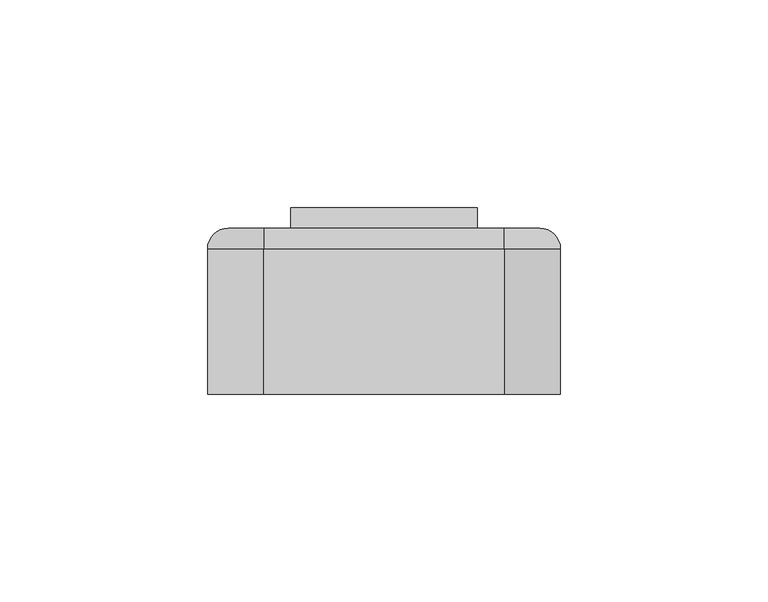
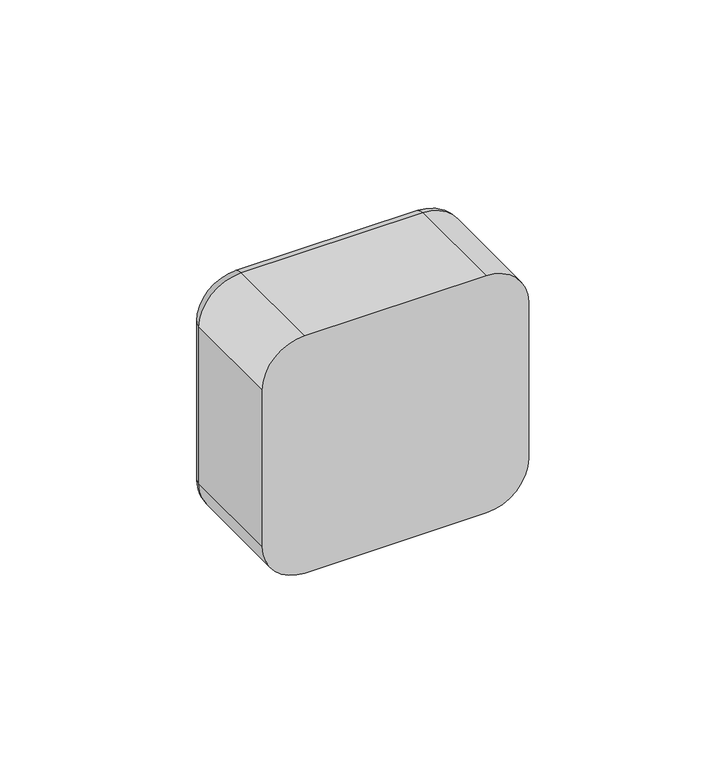
"""IFC4 building model written with IfcOpenShell, lengths in millimetres: switching device geometry."""

import ifcopenshell
import ifcopenshell.guid

model = None  # the IFC model being written
_history = None  # IfcOwnerHistory: only IFC2X3 demands one
_inside = {}  # id of a spatial element -> (the spatial element, [elements in it])
_under = {}  # id of a project, library or spatial element -> (it, [spatial elements below it])
_declared = {}  # id of a project -> (the project, [libraries it declares])
_typed = {}  # id of a type object -> (the type object, [elements of that type])
_made_of = {}  # id of a material, layer set ... -> (it, [elements and type objects made of it])


def new_model(schema):
    """Start an empty IFC model of exactly this schema.

    Asked for "IFC4X3", IfcOpenShell would pick the latest addendum, in which some entities
    have other attributes; the version numbers below select the first issue.
    IFC2X3 requires an IfcOwnerHistory on every rooted entity: one is made here for all.
    """
    global model, _history
    if schema == "IFC4X3":
        model = ifcopenshell.file(schema_version=(4, 3, 0, 0))
    else:
        model = ifcopenshell.file(schema=schema)
    _inside.clear()
    _under.clear()
    _declared.clear()
    _typed.clear()
    _made_of.clear()
    _history = None
    if model.schema == "IFC2X3":
        org = make("IfcOrganization", Name="unknown")
        user = make(
            "IfcPersonAndOrganization",
            ThePerson=make("IfcPerson", FamilyName="unknown"),
            TheOrganization=org,
        )
        app = make(
            "IfcApplication",
            ApplicationDeveloper=org,
            Version="unknown",
            ApplicationFullName="unknown",
            ApplicationIdentifier="unknown",
        )
        _history = make(
            "IfcOwnerHistory",
            OwningUser=user,
            OwningApplication=app,
            ChangeAction="ADDED",
            CreationDate=0,
        )
    return model


def make(cls, **values):
    """One entity of the class cls with the attributes given. An attribute that is None is left unset."""
    return model.create_entity(
        cls, **{name: value for name, value in values.items() if value is not None}
    )


def rooted(cls, **values):
    """An entity with a GlobalId (a new one), such as an element, a storey or a relation."""
    return make(cls, GlobalId=ifcopenshell.guid.new(), OwnerHistory=_history, **values)


def si_unit(unit_type, name, prefix=None):
    """IfcSIUnit, for example si_unit("LENGTHUNIT", "METRE", prefix="MILLI")."""
    return make("IfcSIUnit", UnitType=unit_type, Prefix=prefix, Name=name)


def assignment(units):
    """IfcUnitAssignment: the units of a project."""
    return None if units is None else make("IfcUnitAssignment", Units=units)


def point(xyz):
    """IfcCartesianPoint."""
    return None if xyz is None else make("IfcCartesianPoint", Coordinates=xyz)


def direction(xyz):
    """IfcDirection."""
    return None if xyz is None else make("IfcDirection", DirectionRatios=xyz)


def frame(location, z_axis=None, x_axis=None):
    """IfcAxis2Placement3D, a coordinate frame: its origin and axes. An axis left out is left unset."""
    return make(
        "IfcAxis2Placement3D",
        Location=point(location),
        Axis=direction(z_axis),
        RefDirection=direction(x_axis),
    )


def origin():
    """The frame at (0, 0, 0) with its axes left unset."""
    return frame((0.0, 0.0, 0.0))


def place(relative_to, where):
    """IfcLocalPlacement: puts the frame where relative to a parent placement (None: the world)."""
    return make(
        "IfcLocalPlacement", PlacementRelTo=relative_to, RelativePlacement=where
    )


def context(
    kind, dimensions, precision=None, world=None, true_north=None, identifier=None
):
    """IfcGeometricRepresentationContext, for example the 3D "Model" context."""
    return make(
        "IfcGeometricRepresentationContext",
        ContextIdentifier=identifier,
        ContextType=kind,
        CoordinateSpaceDimension=dimensions,
        Precision=precision,
        WorldCoordinateSystem=world,
        TrueNorth=true_north,
    )


def project(units=None, contexts=None):
    """IfcProject with its units and contexts."""
    return rooted(
        "IfcProject",
        Name="project",
        RepresentationContexts=contexts,
        UnitsInContext=assignment(units),
    )


def spatial(cls, under=None, at=None, **own):
    """A site, building, storey or space (cls), placed at a placement, below another one or the project."""
    s = rooted(cls, ObjectPlacement=at, **own)
    if under is not None:
        _under.setdefault(under.id(), (under, []))[1].append(s)
    return s


def polyline(points):
    """IfcPolyline through the points."""
    return make("IfcPolyline", Points=[point(p) for p in points])


def circle_curve(where, radius):
    """IfcCircle in the frame where."""
    return make("IfcCircle", Position=where, Radius=radius)


def ellipse_curve(where, semi_axis1, semi_axis2):
    """IfcEllipse in the frame where."""
    return make(
        "IfcEllipse", Position=where, SemiAxis1=semi_axis1, SemiAxis2=semi_axis2
    )


def trimmed(basis, trim1, trim2, sense, master):
    """IfcTrimmedCurve: the piece of a basis curve between two trims."""
    return make(
        "IfcTrimmedCurve",
        BasisCurve=basis,
        Trim1=trim1,
        Trim2=trim2,
        SenseAgreement=sense,
        MasterRepresentation=master,
    )


def outline(outer, holes=None, kind="AREA"):
    """IfcArbitraryClosedProfileDef: a profile drawn as a closed curve; with holes, ...WithVoids."""
    if holes is None:
        return make("IfcArbitraryClosedProfileDef", ProfileType=kind, OuterCurve=outer)
    return make(
        "IfcArbitraryProfileDefWithVoids",
        ProfileType=kind,
        OuterCurve=outer,
        InnerCurves=holes,
    )


def extrude(swept, where, along, depth):
    """IfcExtrudedAreaSolid: the profile swept, set in the frame where, extruded along a direction by depth."""
    return make(
        "IfcExtrudedAreaSolid",
        SweptArea=swept,
        Position=where,
        ExtrudedDirection=direction(along),
        Depth=depth,
    )


def shape(context_of_items, identifier, shape_type, items):
    """IfcShapeRepresentation: the items that make up one representation, for example the "Body"."""
    return make(
        "IfcShapeRepresentation",
        ContextOfItems=context_of_items,
        RepresentationIdentifier=identifier,
        RepresentationType=shape_type,
        Items=items,
    )


def source(mapping_origin, context_of_items, identifier, shape_type, items):
    """IfcRepresentationMap: a shape defined once, which mapped items show again and again."""
    return make(
        "IfcRepresentationMap",
        MappingOrigin=mapping_origin,
        MappedRepresentation=shape(context_of_items, identifier, shape_type, items),
    )


def transform(
    local_origin,
    x_axis=None,
    y_axis=None,
    z_axis=None,
    scale=None,
    scale2=None,
    scale3=None,
    uniform=True,
):
    """IfcCartesianTransformationOperator3D, or its non-uniform kind. x_axis, y_axis, z_axis: its Axis1, 2, 3."""
    if uniform:
        return make(
            "IfcCartesianTransformationOperator3D",
            Axis1=direction(x_axis),
            Axis2=direction(y_axis),
            LocalOrigin=point(local_origin),
            Scale=scale,
            Axis3=direction(z_axis),
        )
    return make(
        "IfcCartesianTransformationOperator3DnonUniform",
        Axis1=direction(x_axis),
        Axis2=direction(y_axis),
        LocalOrigin=point(local_origin),
        Scale=scale,
        Axis3=direction(z_axis),
        Scale2=scale2,
        Scale3=scale3,
    )


def mapped(mapping_source, mapping_target):
    """IfcMappedItem: shows the shape of a source again, moved by a transform."""
    return make(
        "IfcMappedItem", MappingSource=mapping_source, MappingTarget=mapping_target
    )


def made_of(thing, what):
    """Note that an element or type object is made of a material, layer set ...; save() writes the relation."""
    if what is not None:
        _made_of.setdefault(what.id(), (what, []))[1].append(thing)
    return thing


def element(
    cls,
    number,
    at=None,
    inside=None,
    cuts=None,
    type_object=None,
    material=None,
    context=None,
    identifier="Body",
    shape_type=None,
    held_by="IfcProductDefinitionShape",
    body=None,
    shapes=None,
    **own,
):
    """One element of the class cls, such as IfcWall. Its Tag is "e" and its number.

    at: its placement. inside: the storey or other place that contains it. cuts: it is an
    opening in that element (IfcRelVoidsElement). A single representation is given by context,
    identifier, shape_type and body (its items); several are given by shapes. held_by: the class
    of the entity that holds the representations. save() writes the other relations.
    """
    e = rooted(cls, Tag="e%d" % number, ObjectPlacement=at, **own)
    if body is not None:
        shapes = [shape(context, identifier, shape_type, body)]
    if shapes is not None:
        e.Representation = make(held_by, Representations=shapes)
    if inside is not None:
        _inside.setdefault(inside.id(), (inside, []))[1].append(e)
    if cuts is not None:
        rooted(
            "IfcRelVoidsElement", RelatingBuildingElement=cuts, RelatedOpeningElement=e
        )
    if type_object is not None:
        _typed.setdefault(type_object.id(), (type_object, []))[1].append(e)
    return made_of(e, material)


def aggregate(whole, parts):
    """IfcRelAggregates: a whole, such as a stair, and the parts it consists of."""
    return rooted("IfcRelAggregates", RelatingObject=whole, RelatedObjects=parts)


def save(model, path):
    """Write the relations noted so far, then the file.

    IfcRelAggregates (storeys below a building ...), IfcRelContainedInSpatialStructure (elements
    in a storey), IfcRelDefinesByType, IfcRelAssociatesMaterial and IfcRelDeclares: one each for
    every whole, place, type object, material and project.
    """
    for whole, parts in _under.values():
        aggregate(whole, parts)
    for where, things in _inside.values():
        rooted(
            "IfcRelContainedInSpatialStructure",
            RelatedElements=things,
            RelatingStructure=where,
        )
    for kind, things in _typed.values():
        rooted("IfcRelDefinesByType", RelatedObjects=things, RelatingType=kind)
    for what, things in _made_of.values():
        rooted("IfcRelAssociatesMaterial", RelatedObjects=things, RelatingMaterial=what)
    for by, libraries in _declared.values():
        rooted("IfcRelDeclares", RelatingContext=by, RelatedDefinitions=libraries)
    model.write(path)


def plane_surface(at):
    """IfcPlane: the flat surface through the origin of the frame at, square to its z axis."""
    return make("IfcPlane", Position=at)


def cylinder_surface(at, radius):
    """IfcCylindricalSurface: all points at the distance radius from the z axis of the frame at."""
    return make("IfcCylindricalSurface", Position=at, Radius=radius)


def revolved_surface(curve, axis_point, axis_direction):
    """IfcSurfaceOfRevolution: the curve turned about the line through axis_point along axis_direction."""
    return make(
        "IfcSurfaceOfRevolution",
        SweptCurve=make("IfcArbitraryOpenProfileDef", ProfileType="CURVE", Curve=curve),
        AxisPosition=make("IfcAxis1Placement", Location=point(axis_point), Axis=direction(axis_direction)),
    )


def advanced_brep(points, edges, surfaces, faces):
    """IfcAdvancedBrep: a solid bounded by faces that lie on surfaces and meet in shared edges.

    An edge is (start, end): straight between two places in points (the first is 0);
    or (start, end, curve); or (start, end, curve, False) where it runs against its curve.
    A face is (place in surfaces, loops), or (place, loops, False) where it looks against
    its surface's normal. A loop lists edges by number (the first is 1), with a minus sign
    where the edge is run from its end to its start. The first loop is the outer one.
    """
    corners = [point(p) for p in points]
    vertices = [make("IfcVertexPoint", VertexGeometry=c) for c in corners]
    made = []
    for start, end, *more in edges:
        made.append(
            make(
                "IfcEdgeCurve",
                EdgeStart=vertices[start],
                EdgeEnd=vertices[end],
                EdgeGeometry=more[0] if more else make("IfcPolyline", Points=[corners[start], corners[end]]),
                SameSense=more[1] if len(more) > 1 else True,
            )
        )
    hull = []
    for where, loops, *sense in faces:
        bounds = []
        for j, loop in enumerate(loops):
            ring = [make("IfcOrientedEdge", EdgeElement=made[abs(k) - 1], Orientation=k > 0) for k in loop]
            bounds.append(
                make(
                    "IfcFaceOuterBound" if j == 0 else "IfcFaceBound",
                    Bound=make("IfcEdgeLoop", EdgeList=ring),
                    Orientation=True,
                )
            )
        hull.append(make("IfcAdvancedFace", Bounds=bounds, FaceSurface=surfaces[where], SameSense=sense[0] if sense else True))
    return make("IfcAdvancedBrep", Outer=make("IfcClosedShell", CfsFaces=hull))


def switching_device_c9d0c499(model_context):
    return source(origin(), model_context, "Body", "SolidModel", [
        advanced_brep(
        [(28.9328665, 40.0, 35.0), (37.5, 40.0, 26.4328665), (37.5, 40.0, -26.4328665), (28.9328665, 40.0, -35.0), (-28.9328665, 40.0, -35.0), (-37.5, 40.0, -26.4328665), (-37.5, 40.0, 26.4328665), (-28.9328665, 40.0, 35.0), (22.5, 40.0, 22.5), (-22.5, 40.0, 22.5), (-22.5, 40.0, -22.5), (22.5, 40.0, -22.5), (-28.9328665, 0.0, 40.0), (-42.5, 0.0, 26.4328665), (-42.5, 0.0, -26.4328665), (-28.9328665, 0.0, -40.0), (28.9328665, 0.0, -40.0), (42.5, 0.0, -26.4328665), (42.5, 0.0, 26.4328665), (28.9328665, 0.0, 40.0), (22.5, 2.0, -22.5), (22.5, 2.0, 22.5), (-22.5, 2.0, -22.5), (-22.5, 2.0, 22.5), (-42.5, 35.0, 26.4328665), (-42.5, 35.0, -26.4328665), (-28.9328665, 35.0, -40.0), (28.9328665, 35.0, -40.0), (42.5, 35.0, -26.4328665), (42.5, 35.0, 26.4328665), (28.9328665, 35.0000072, 40.0), (-28.9328665, 35.0, 40.0)],
        [
            (0, 1, circle_curve(frame((28.9328665, 40.0, 26.4328665), z_axis=(0.0, 1.0, 0.0), x_axis=(0.0, 0.0, 1.0)), 8.5671335)),
            (1, 2),
            (2, 3, circle_curve(frame((28.9328665, 40.0, -26.4328665), z_axis=(0.0, 1.0, 0.0), x_axis=(1.0, 0.0, 0.0)), 8.5671335)),
            (3, 4),
            (4, 5, circle_curve(frame((-28.9328665, 40.0, -26.4328665), z_axis=(0.0, 1.0, 0.0), x_axis=(0.0, 0.0, -1.0)), 8.5671335)),
            (5, 6),
            (6, 7, circle_curve(frame((-28.9328665, 40.0, 26.4328665), z_axis=(0.0, 1.0, 0.0), x_axis=(-1.0, 0.0, 0.0)), 8.5671335)),
            (7, 0),
            (8, 9),
            (9, 10),
            (10, 11),
            (11, 8),
            (12, 13, circle_curve(frame((-28.9328665, 0.0, 26.4328665), z_axis=(0.0, -1.0, 0.0), x_axis=(1.0, 0.0, 0.0)), 13.5671335)),
            (13, 14),
            (14, 15, circle_curve(frame((-28.9328665, 0.0, -26.4328665), z_axis=(0.0, -1.0, 0.0), x_axis=(1.0, 0.0, 0.0)), 13.5671335)),
            (15, 16),
            (16, 17, circle_curve(frame((28.9328665, 0.0, -26.4328665), z_axis=(0.0, -1.0, 0.0), x_axis=(1.0, 0.0, 0.0)), 13.5671335)),
            (17, 18),
            (18, 19, circle_curve(frame((28.9328665, 0.0, 26.4328665), z_axis=(0.0, -1.0, 0.0), x_axis=(1.0, 0.0, 0.0)), 13.5671335)),
            (19, 12),
            (11, 20),
            (20, 21),
            (21, 8),
            (10, 22),
            (22, 20),
            (9, 23),
            (23, 22),
            (21, 23),
            (13, 24),
            (24, 25),
            (25, 14),
            (15, 26),
            (26, 27),
            (27, 16),
            (17, 28),
            (28, 29),
            (29, 18),
            (19, 30),
            (30, 31),
            (31, 12),
            (31, 24, circle_curve(frame((-28.9328665, 35.0, 26.4328665), z_axis=(0.0, -1.0, 0.0), x_axis=(1.0, 0.0, 0.0)), 13.5671335)),
            (25, 26, circle_curve(frame((-28.9328665, 35.0, -26.4328665), z_axis=(0.0, -1.0, 0.0), x_axis=(1.0, 0.0, 0.0)), 13.5671335)),
            (27, 28, circle_curve(frame((28.9328665, 35.0, -26.4328665), z_axis=(0.0, -1.0, 0.0), x_axis=(1.0, 0.0, 0.0)), 13.5671335)),
            (29, 30, circle_curve(frame((28.9328665, 35.0, 26.4328665), z_axis=(0.0, -1.0, 0.0), x_axis=(1.0, 0.0, 0.0)), 13.5671335)),
            (29, 1, circle_curve(frame((37.5, 35.0, 26.4328665), z_axis=(0.0, 0.0, 1.0), x_axis=(0.0, 1.0, 0.0)), 5.0)),
            (0, 30, circle_curve(frame((28.9328665, 35.0, 35.0), z_axis=(1.0, 0.0, 0.0), x_axis=(0.0, 1.0, 0.0)), 5.0)),
            (28, 2, circle_curve(frame((37.5, 35.0, -26.4328665), z_axis=(0.0, 0.0, 1.0), x_axis=(0.0, 1.0, 0.0)), 5.0)),
            (27, 3, circle_curve(frame((28.9328665, 35.0, -35.0), z_axis=(1.0, 0.0, 0.0), x_axis=(0.0, 1.0, 0.0)), 5.0)),
            (26, 4, circle_curve(frame((-28.9328665, 35.0, -35.0), z_axis=(1.0, 0.0, 0.0), x_axis=(0.0, 1.0, 0.0)), 5.0)),
            (25, 5, circle_curve(frame((-37.5, 35.0, -26.4328665), z_axis=(0.0, 0.0, -1.0), x_axis=(0.0, 1.0, 0.0)), 5.0)),
            (24, 6, circle_curve(frame((-37.5, 35.0, 26.4328665), z_axis=(0.0, 0.0, -1.0), x_axis=(0.0, 1.0, 0.0)), 5.0)),
            (31, 7, circle_curve(frame((-28.9328665, 35.0, 35.0), z_axis=(-1.0, 0.0, 0.0), x_axis=(0.0, 1.0, 0.0)), 5.0)),
        ],
        [
            plane_surface(frame((22.5, 40.0, 6.9412233), z_axis=(0.0, 1.0, 0.0), x_axis=(0.0, 0.0, 1.0))),
            plane_surface(frame((22.5, 0.0, 6.9412233), z_axis=(0.0, -1.0, 0.0), x_axis=(0.0, 0.0, -1.0))),
            plane_surface(frame((22.5, 0.0, 22.5), z_axis=(-1.0, 0.0, 0.0), x_axis=(0.0, 1.0, 0.0))),
            plane_surface(frame((22.5, 0.0, -22.5), z_axis=(0.0, 0.0, 1.0), x_axis=(0.0, 1.0, 0.0))),
            plane_surface(frame((-22.5, 0.0, -22.5), z_axis=(1.0, 0.0, 0.0), x_axis=(0.0, 1.0, 0.0))),
            plane_surface(frame((-22.5, 0.0, 22.5), z_axis=(0.0, 0.0, -1.0), x_axis=(0.0, 1.0, 0.0))),
            plane_surface(frame((-42.5, 0.0, 26.4328665), z_axis=(-1.0, 0.0, 0.0), x_axis=(0.0, 1.0, 0.0))),
            plane_surface(frame((-28.9328665, 0.0, -40.0), z_axis=(0.0, 0.0, -1.0), x_axis=(0.0, 1.0, 0.0))),
            plane_surface(frame((42.5, 0.0, -26.4328665), z_axis=(1.0, 0.0, 0.0), x_axis=(0.0, 1.0, 0.0))),
            plane_surface(frame((28.9328665, 0.0, 40.0), z_axis=(0.0, 0.0, 1.0), x_axis=(0.0, 1.0, 0.0))),
            cylinder_surface(frame((-28.9328665, 0.0, 26.4328665), z_axis=(0.0, -1.0, 0.0), x_axis=(1.0, 0.0, 0.0)), 13.5671335),
            cylinder_surface(frame((-28.9328665, 0.0, -26.4328665), z_axis=(0.0, -1.0, 0.0), x_axis=(1.0, 0.0, 0.0)), 13.5671335),
            cylinder_surface(frame((28.9328665, 0.0, -26.4328665), z_axis=(0.0, -1.0, 0.0), x_axis=(1.0, 0.0, 0.0)), 13.5671335),
            cylinder_surface(frame((28.9328665, 0.0, 26.4328665), z_axis=(0.0, -1.0, 0.0), x_axis=(1.0, 0.0, 0.0)), 13.5671335),
            plane_surface(frame((-22.5, 2.0, 31.0), z_axis=(0.0, 1.0, 0.0), x_axis=(0.0, 0.0, 1.0))),
            revolved_surface(trimmed(ellipse_curve(frame((28.9328665, 35.0, 35.0), z_axis=(-1.0, 0.0, 0.0), x_axis=(0.0, 1.0, 0.0)), 5.0, 5.0), [point((28.9328665, 35.0, 40.0))], [point((28.9328665, 40.0, 35.0))], True, "CARTESIAN"), (28.9328665, 40.0, 26.4328665), (0.0, 1.0, 0.0)),
            cylinder_surface(frame((37.5, 35.0, 26.4328665), z_axis=(0.0, 0.0, -1.0), x_axis=(0.0, 1.0, 0.0)), 5.0),
            revolved_surface(trimmed(ellipse_curve(frame((37.5, 35.0, -26.4328665), z_axis=(0.0, 0.0, 1.0), x_axis=(0.0, 1.0, 0.0)), 5.0, 5.0), [point((42.5, 35.0, -26.4328665))], [point((37.5, 40.0, -26.4328665))], True, "CARTESIAN"), (28.9328665, 40.0, -26.4328665), (0.0, 1.0, 0.0)),
            cylinder_surface(frame((28.9328665, 35.0, -35.0), z_axis=(-1.0, 0.0, 0.0), x_axis=(0.0, 1.0, 0.0)), 5.0),
            revolved_surface(trimmed(ellipse_curve(frame((-28.9328665, 35.0, -35.0), z_axis=(1.0, 0.0, 0.0), x_axis=(0.0, 1.0, 0.0)), 5.0, 5.0), [point((-28.9328665, 35.0, -40.0))], [point((-28.9328665, 40.0, -35.0))], True, "CARTESIAN"), (-28.9328665, 40.0, -26.4328665), (0.0, 1.0, 0.0)),
            cylinder_surface(frame((-37.5, 35.0, -26.4328665), z_axis=(0.0, 0.0, 1.0), x_axis=(0.0, 1.0, 0.0)), 5.0),
            revolved_surface(trimmed(ellipse_curve(frame((-37.5, 35.0, 26.4328665), z_axis=(0.0, 0.0, -1.0), x_axis=(0.0, 1.0, 0.0)), 5.0, 5.0), [point((-42.5, 35.0, 26.4328665))], [point((-37.5, 40.0, 26.4328665))], True, "CARTESIAN"), (-28.9328665, 40.0, 26.4328665), (0.0, 1.0, 0.0)),
            cylinder_surface(frame((-28.9328665, 35.0, 35.0), z_axis=(1.0, 0.0, 0.0), x_axis=(0.0, 1.0, 0.0)), 5.0),
        ],
        [
            (0, [[1, 2, 3, 4, 5, 6, 7, 8], [9, 10, 11, 12]]),
            (1, [[13, 14, 15, 16, 17, 18, 19, 20]]),
            (2, [[-12, 21, 22, 23]]),
            (3, [[-11, 24, 25, -21]]),
            (4, [[-10, 26, 27, -24]]),
            (5, [[-9, -23, 28, -26]]),
            (6, [[-14, 29, 30, 31]]),
            (7, [[-16, 32, 33, 34]]),
            (8, [[-18, 35, 36, 37]]),
            (9, [[-20, 38, 39, 40]]),
            (10, [[-13, -40, 41, -29]]),
            (11, [[-15, -31, 42, -32]]),
            (12, [[-17, -34, 43, -35]]),
            (13, [[-19, -37, 44, -38]]),
            (14, [[-22, -25, -27, -28]]),
            (15, [[45, -1, 46, -44]]),
            (16, [[-45, -36, 47, -2]]),
            (17, [[-47, -43, 48, -3]]),
            (18, [[-48, -33, 49, -4]]),
            (19, [[-49, -42, 50, -5]]),
            (20, [[-50, -30, 51, -6]]),
            (21, [[-51, -41, 52, -7]]),
            (22, [[-46, -8, -52, -39]]),
        ],
    ),
        extrude(outline(polyline([(40.0, -22.5), (40.0, 22.5), (44.9850961, 21.9408026), (40.0, -22.5)])), frame((-22.5, 0.0, 0.0), z_axis=(1.0, 0.0, 0.0), x_axis=(0.0, 1.0, 0.0)), (0.0, 0.0, 1.0), 45.0),
        extrude(outline(polyline([(22.5, 2.0), (-22.5, 2.0), (-22.5, 32.0), (22.5, 32.0), (22.5, 2.0)])), frame((0.0, 0.0, -22.5), z_axis=(0.0, 0.0, 1.0), x_axis=(1.0, 0.0, 0.0)), (0.0, 0.0, 1.0), 45.0),
        extrude(outline(polyline([(22.5, 32.0), (-22.5, 32.0), (-22.5, 40.0), (22.5, 40.0), (22.5, 32.0)])), frame((0.0, 0.0, -22.5), z_axis=(0.0, 0.0, 1.0), x_axis=(1.0, 0.0, 0.0)), (0.0, 0.0, 1.0), 45.0),
    ])


if __name__ == "__main__":
    model = new_model("IFC4")
    model_context = context("Model", 3, world=origin())
    ifc_project = project(units=[si_unit("LENGTHUNIT", "METRE", prefix="MILLI")], contexts=[model_context])
    site = spatial("IfcSite", under=ifc_project)
    building = spatial("IfcBuilding", under=site)
    placement = place(None, origin())
    switching_device_shape = switching_device_c9d0c499(model_context)
    element("IfcSwitchingDevice", 1, at=placement, inside=building, context=model_context, shape_type="MappedRepresentation", body=[
        mapped(switching_device_shape, transform((0.0, 0.0, 0.0), x_axis=(1.0, 0.0, 0.0), y_axis=(0.0, 1.0, 0.0), z_axis=(0.0, 0.0, 1.0))),
    ])
    save(model, "model.ifc")
